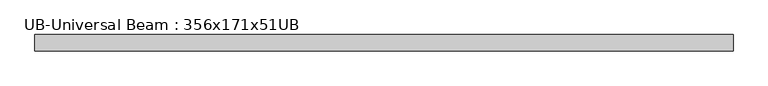
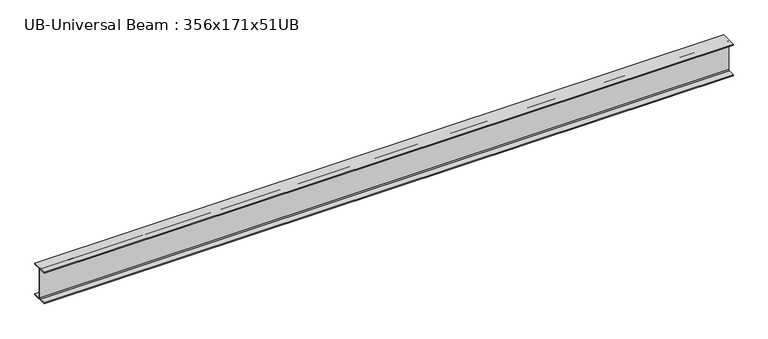
"""IFC4 building model written with IfcOpenShell, lengths in millimetres: beam geometry, UB-Universal Beam : 356x171x51UB."""

from ifc_helpers import new_model, si_unit, point, frame, frame_2d, origin, place, context, project, spatial, polyline, circle_curve, trimmed, segment, composite_curve, outline, extrude, source, transform, mapped, element, save


def ub_universal_beam_356x171x51ub_f2659926(model_context):
    return source(origin(), model_context, "Body", "SweptSolid", [
        extrude(outline(composite_curve([segment(polyline([(85.75, -166.0), (85.75, -177.5), (-85.75, -177.5), (-85.75, -166.0), (-13.9, -166.0)]), True, "CONTINUOUS"), segment(trimmed(circle_curve(frame_2d((-13.9, -155.8)), 10.2), [point((-13.9, -166.0))], [point((-3.7, -155.8))], True, "CARTESIAN"), True, "CONTINUOUS"), segment(polyline([(-3.7, -155.8), (-3.7, 155.8)]), True, "CONTINUOUS"), segment(trimmed(circle_curve(frame_2d((-13.9, 155.8)), 10.2), [point((-3.7, 155.8))], [point((-13.9, 166.0))], True, "CARTESIAN"), True, "CONTINUOUS"), segment(polyline([(-13.9, 166.0), (-85.75, 166.0), (-85.75, 177.5), (85.75, 177.5), (85.75, 166.0), (13.9, 166.0)]), True, "CONTINUOUS"), segment(trimmed(circle_curve(frame_2d((13.9, 155.8)), 10.2), [point((13.9, 166.0))], [point((3.7, 155.8))], True, "CARTESIAN"), True, "CONTINUOUS"), segment(polyline([(3.7, 155.8), (3.7, -155.8)]), True, "CONTINUOUS"), segment(trimmed(circle_curve(frame_2d((13.9, -155.8)), 10.2), [point((3.7, -155.8))], [point((13.9, -166.0))], True, "CARTESIAN"), True, "CONTINUOUS"), segment(polyline([(13.9, -166.0), (85.75, -166.0)]), True, "CONTINUOUS")], self_intersect=False)), frame((-3655.3, 0.0, 0.0), z_axis=(1.0, 0.0, 0.0), x_axis=(0.0, 1.0, 0.0)), (0.0, 0.0, 1.0), 7310.6),
    ])


if __name__ == "__main__":
    model = new_model("IFC4")
    model_context = context("Model", 3, world=origin())
    ifc_project = project(units=[si_unit("LENGTHUNIT", "METRE", prefix="MILLI")], contexts=[model_context])
    site = spatial("IfcSite", under=ifc_project)
    building = spatial("IfcBuilding", under=site)
    placement = place(None, origin())
    ub_universal_beam_356x171x51ub_shape = ub_universal_beam_356x171x51ub_f2659926(model_context)
    element("IfcBeam", 1, ObjectType="UB-Universal Beam : 356x171x51UB", at=placement, inside=building, context=model_context, shape_type="MappedRepresentation", body=[
        mapped(ub_universal_beam_356x171x51ub_shape, transform((0.0, 0.0, 0.0), x_axis=(1.0, 0.0, 0.0), y_axis=(0.0, 1.0, 0.0), z_axis=(0.0, 0.0, 1.0))),
    ])
    save(model, "model.ifc")
